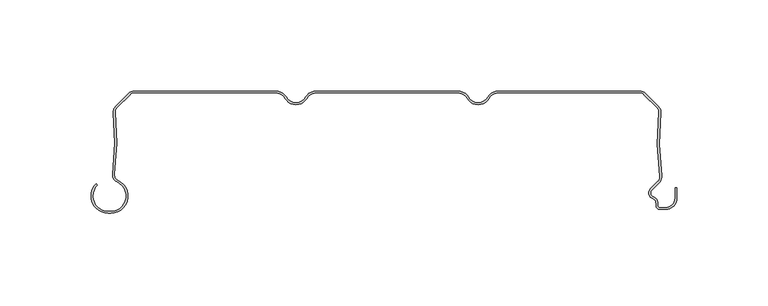
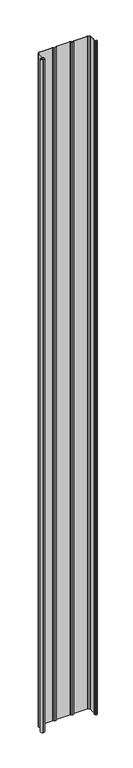
"""IFC4 building model written with IfcOpenShell, lengths in millimetres: plate geometry."""

from ifc_helpers import new_model, si_unit, point, frame_2d, origin, origin_with_axes, place, context, project, spatial, polyline, circle_curve, trimmed, segment, composite_curve, outline, extrude, source, transform, mapped, element, save


def plate_dbce46aa(model_context):
    return source(origin(), model_context, "Body", "SweptSolid", [
        extrude(outline(composite_curve([segment(polyline([(-153.0602536, -66.1554676), (-151.8062536, -66.1554676)]), True, "CONTINUOUS"), segment(trimmed(circle_curve(frame_2d((-151.8062536, -57.6554676)), 8.5), [point((-151.8062536, -66.1554676))], [point((-148.2922983, -49.9158218))], True, "CARTESIAN"), True, "CONTINUOUS"), segment(trimmed(circle_curve(frame_2d((-146.5973316, -46.1825808)), 4.1), [point((-148.2922983, -49.9158218))], [point((-150.6663398, -45.6794186))], False, "CARTESIAN"), True, "CONTINUOUS"), segment(trimmed(circle_curve(frame_2d((-299.5324935, -27.2710429)), 150.0), [point((-150.6663398, -45.6794186))], [point((-150.32984, -11.8253904))], True, "CARTESIAN"), True, "CONTINUOUS"), segment(trimmed(circle_curve(frame_2d((-146.2516341, -11.4032093)), 4.1), [point((-150.32984, -11.8253904))], [point((-149.1507719, -8.5040715))], False, "CARTESIAN"), True, "CONTINUOUS"), segment(polyline([(-149.1507719, -8.5040715), (-141.8475626, -1.2008622)]), True, "CONTINUOUS"), segment(trimmed(circle_curve(frame_2d((-138.9484248, -4.1)), 4.1), [point((-141.8475626, -1.2008622))], [point((-138.9484248, 0.0))], False, "CARTESIAN"), True, "CONTINUOUS"), segment(polyline([(-138.9484248, 0.0), (-61.2583302, 0.0)]), True, "CONTINUOUS"), segment(trimmed(circle_curve(frame_2d((-61.2583302, -7.0)), 7.0), [point((-61.2583302, 0.0))], [point((-55.1961524, -3.5))], False, "CARTESIAN"), True, "CONTINUOUS"), segment(trimmed(circle_curve(frame_2d((-50.0, -0.5)), 6.0), [point((-55.1961524, -3.5))], [point((-50.0, -6.5))], True, "CARTESIAN"), True, "CONTINUOUS"), segment(trimmed(circle_curve(frame_2d((-50.0, -0.5)), 6.0), [point((-50.0, -6.5))], [point((-44.8038476, -3.5))], True, "CARTESIAN"), True, "CONTINUOUS"), segment(trimmed(circle_curve(frame_2d((-38.7416698, -7.0)), 7.0), [point((-44.8038476, -3.5))], [point((-38.7416698, 0.0))], False, "CARTESIAN"), True, "CONTINUOUS"), segment(polyline([(-38.7416698, 0.0), (38.7416698, 0.0)]), True, "CONTINUOUS"), segment(trimmed(circle_curve(frame_2d((38.7416698, -7.0)), 7.0), [point((38.7416698, 0.0))], [point((44.8038476, -3.5))], False, "CARTESIAN"), True, "CONTINUOUS"), segment(trimmed(circle_curve(frame_2d((50.0, -0.5)), 6.0), [point((44.8038476, -3.5))], [point((50.0, -6.5))], True, "CARTESIAN"), True, "CONTINUOUS"), segment(trimmed(circle_curve(frame_2d((50.0, -0.5)), 6.0), [point((50.0, -6.5))], [point((55.1961524, -3.5))], True, "CARTESIAN"), True, "CONTINUOUS"), segment(trimmed(circle_curve(frame_2d((61.2583302, -7.0)), 7.0), [point((55.1961524, -3.5))], [point((61.2583302, 0.0))], False, "CARTESIAN"), True, "CONTINUOUS"), segment(polyline([(61.2583302, 0.0), (138.9484248, 0.0)]), True, "CONTINUOUS"), segment(trimmed(circle_curve(frame_2d((138.9484248, -4.1)), 4.1), [point((138.9484248, 0.0))], [point((141.8475626, -1.2008622))], False, "CARTESIAN"), True, "CONTINUOUS"), segment(polyline([(141.8475626, -1.2008622), (149.1502639, -8.5035635)]), True, "CONTINUOUS"), segment(trimmed(circle_curve(frame_2d((146.2511261, -11.4027013)), 4.1), [point((149.1502639, -8.5035635))], [point((150.3293418, -11.8247881))], False, "CARTESIAN"), True, "CONTINUOUS"), segment(trimmed(circle_curve(frame_2d((299.5323525, -27.2669893)), 150.0), [point((150.3293418, -11.8247881))], [point((150.7850442, -46.6122279))], True, "CARTESIAN"), True, "CONTINUOUS"), segment(trimmed(circle_curve(frame_2d((146.4914801, -47.1706247)), 4.3297228), [point((150.7850442, -46.6122279))], [point((149.4270442, -50.3532279))], False, "CARTESIAN"), True, "CONTINUOUS"), segment(polyline([(149.4270442, -50.3532279), (145.3931689, -54.3871033)]), True, "CONTINUOUS"), segment(trimmed(circle_curve(frame_2d((146.9488038, -55.9427382)), 2.2), [point((145.3931689, -54.3871033))], [point((146.1238712, -57.98222))], True, "CARTESIAN"), True, "CONTINUOUS"), segment(trimmed(circle_curve(frame_2d((144.549, -61.8757763)), 4.2), [point((146.1238712, -57.98222))], [point((148.749, -61.8757763))], False, "CARTESIAN"), True, "CONTINUOUS"), segment(polyline([(148.749, -61.8757763), (148.749, -63.0)]), True, "CONTINUOUS"), segment(trimmed(circle_curve(frame_2d((149.749, -63.0)), 1.0), [point((148.749, -63.0))], [point((149.749, -64.0))], True, "CARTESIAN"), True, "CONTINUOUS"), segment(polyline([(149.749, -64.0), (153.05, -64.0)]), True, "CONTINUOUS"), segment(trimmed(circle_curve(frame_2d((153.05, -58.8)), 5.2), [point((153.05, -64.0))], [point((158.25, -58.8))], True, "CARTESIAN"), True, "CONTINUOUS"), segment(polyline([(158.25, -58.8), (158.25, -53.169), (159.25, -53.169), (159.25, -58.8)]), True, "CONTINUOUS"), segment(trimmed(circle_curve(frame_2d((153.05, -58.8)), 6.2), [point((159.25, -58.8))], [point((153.05, -65.0))], False, "CARTESIAN"), True, "CONTINUOUS"), segment(polyline([(153.05, -65.0), (149.749, -65.0)]), True, "CONTINUOUS"), segment(trimmed(circle_curve(frame_2d((149.749, -63.0)), 2.0), [point((149.749, -65.0))], [point((147.749, -63.0))], False, "CARTESIAN"), True, "CONTINUOUS"), segment(polyline([(147.749, -63.0), (147.749, -61.8757763)]), True, "CONTINUOUS"), segment(trimmed(circle_curve(frame_2d((144.549, -61.8757763)), 3.2), [point((147.749, -61.8757763))], [point((145.7489019, -58.9092572))], True, "CARTESIAN"), True, "CONTINUOUS"), segment(trimmed(circle_curve(frame_2d((146.9488038, -55.9427382)), 3.2), [point((145.7489019, -58.9092572))], [point((144.6860621, -53.6799965))], False, "CARTESIAN"), True, "CONTINUOUS"), segment(polyline([(144.6860621, -53.6799965), (148.7351433, -49.6309152)]), True, "CONTINUOUS"), segment(trimmed(circle_curve(frame_2d((146.4914801, -47.1706247)), 3.3297228), [point((148.7351433, -49.6309152))], [point((149.7933955, -46.7411962))], True, "CARTESIAN"), True, "CONTINUOUS"), segment(trimmed(circle_curve(frame_2d((299.5323525, -27.2669893)), 151.0), [point((149.7933955, -46.7411962))], [point((149.334655, -11.7218401))], False, "CARTESIAN"), True, "CONTINUOUS"), segment(trimmed(circle_curve(frame_2d((146.2511261, -11.4027013)), 3.1), [point((149.334655, -11.7218401))], [point((148.4431572, -9.2106703))], True, "CARTESIAN"), True, "CONTINUOUS"), segment(polyline([(148.4431572, -9.2106703), (141.1404559, -1.907969)]), True, "CONTINUOUS"), segment(trimmed(circle_curve(frame_2d((138.9484248, -4.1)), 3.1), [point((141.1404559, -1.907969))], [point((138.9484248, -1.0))], True, "CARTESIAN"), True, "CONTINUOUS"), segment(polyline([(138.9484248, -1.0), (61.2583302, -1.0)]), True, "CONTINUOUS"), segment(trimmed(circle_curve(frame_2d((61.2583302, -7.0)), 6.0), [point((61.2583302, -1.0))], [point((56.0621778, -4.0))], True, "CARTESIAN"), True, "CONTINUOUS"), segment(trimmed(circle_curve(frame_2d((50.0, -0.5)), 7.0), [point((56.0621778, -4.0))], [point((50.0, -7.5))], False, "CARTESIAN"), True, "CONTINUOUS"), segment(trimmed(circle_curve(frame_2d((50.0, -0.5)), 7.0), [point((50.0, -7.5))], [point((43.9378222, -4.0))], False, "CARTESIAN"), True, "CONTINUOUS"), segment(trimmed(circle_curve(frame_2d((38.7416698, -7.0)), 6.0), [point((43.9378222, -4.0))], [point((38.7416698, -1.0))], True, "CARTESIAN"), True, "CONTINUOUS"), segment(polyline([(38.7416698, -1.0), (-38.7416698, -1.0)]), True, "CONTINUOUS"), segment(trimmed(circle_curve(frame_2d((-38.7416698, -7.0)), 6.0), [point((-38.7416698, -1.0))], [point((-43.9378222, -4.0))], True, "CARTESIAN"), True, "CONTINUOUS"), segment(trimmed(circle_curve(frame_2d((-50.0, -0.5)), 7.0), [point((-43.9378222, -4.0))], [point((-50.0, -7.5))], False, "CARTESIAN"), True, "CONTINUOUS"), segment(trimmed(circle_curve(frame_2d((-50.0, -0.5)), 7.0), [point((-50.0, -7.5))], [point((-56.0621778, -4.0))], False, "CARTESIAN"), True, "CONTINUOUS"), segment(trimmed(circle_curve(frame_2d((-61.2583302, -7.0)), 6.0), [point((-56.0621778, -4.0))], [point((-61.2583302, -1.0))], True, "CARTESIAN"), True, "CONTINUOUS"), segment(polyline([(-61.2583302, -1.0), (-138.9484248, -1.0)]), True, "CONTINUOUS"), segment(trimmed(circle_curve(frame_2d((-138.9484248, -4.1)), 3.1), [point((-138.9484248, -1.0))], [point((-141.1404559, -1.907969))], True, "CARTESIAN"), True, "CONTINUOUS"), segment(polyline([(-141.1404559, -1.907969), (-148.4436651, -9.2111782)]), True, "CONTINUOUS"), segment(trimmed(circle_curve(frame_2d((-146.2516341, -11.4032093)), 3.1), [point((-148.4436651, -9.2111782))], [point((-149.3351556, -11.7224194))], True, "CARTESIAN"), True, "CONTINUOUS"), segment(trimmed(circle_curve(frame_2d((-299.5324935, -27.2710429)), 151.0), [point((-149.3351556, -11.7224194))], [point((-149.6738988, -45.8021411))], False, "CARTESIAN"), True, "CONTINUOUS"), segment(trimmed(circle_curve(frame_2d((-146.5973316, -46.1825808)), 3.1), [point((-149.6738988, -45.8021411))], [point((-147.8788918, -49.0052752))], True, "CARTESIAN"), True, "CONTINUOUS"), segment(trimmed(circle_curve(frame_2d((-151.8062536, -57.6554676)), 9.5), [point((-147.8788918, -49.0052752))], [point((-151.8062536, -67.1554676))], False, "CARTESIAN"), True, "CONTINUOUS"), segment(polyline([(-151.8062536, -67.1554676), (-153.0602536, -67.1554676)]), True, "CONTINUOUS"), segment(trimmed(circle_curve(frame_2d((-153.0602536, -57.6554676)), 9.5), [point((-153.0602536, -67.1554676))], [point((-159.777768, -50.9379532))], False, "CARTESIAN"), True, "CONTINUOUS"), segment(polyline([(-159.777768, -50.9379532), (-159.0706612, -51.64506)]), True, "CONTINUOUS"), segment(trimmed(circle_curve(frame_2d((-153.0602536, -57.6554676)), 8.5), [point((-159.0706612, -51.64506))], [point((-153.0602536, -66.1554676))], True, "CARTESIAN"), True, "CONTINUOUS")], self_intersect=False)), origin_with_axes(), (0.0, 0.0, 1.0), 4061.7064475),
    ])


if __name__ == "__main__":
    model = new_model("IFC4")
    model_context = context("Model", 3, world=origin())
    ifc_project = project(units=[si_unit("LENGTHUNIT", "METRE", prefix="MILLI")], contexts=[model_context])
    site = spatial("IfcSite", under=ifc_project)
    building = spatial("IfcBuilding", under=site)
    placement = place(None, origin())
    plate_shape = plate_dbce46aa(model_context)
    element("IfcPlate", 1, at=placement, inside=building, context=model_context, shape_type="MappedRepresentation", body=[
        mapped(plate_shape, transform((0.0, 0.0, 0.0), x_axis=(1.0, 0.0, 0.0), y_axis=(0.0, 1.0, 0.0), z_axis=(0.0, 0.0, 1.0))),
    ])
    save(model, "model.ifc")
